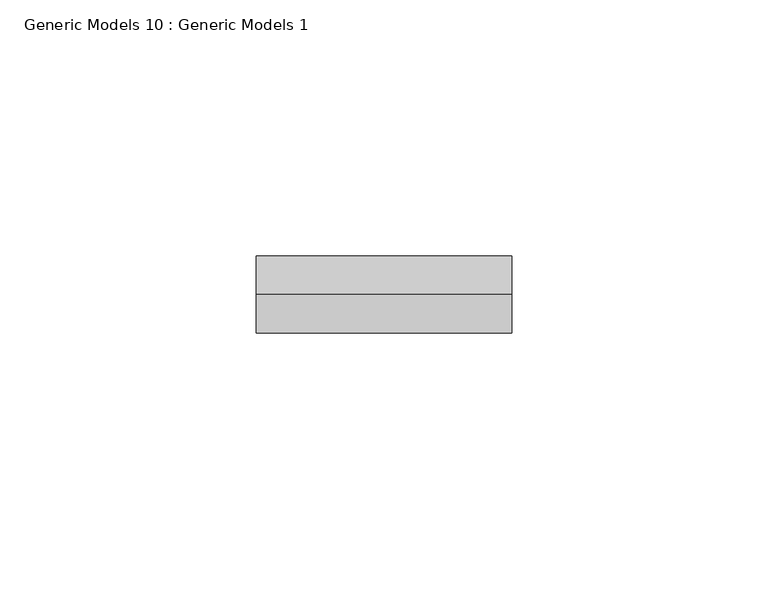
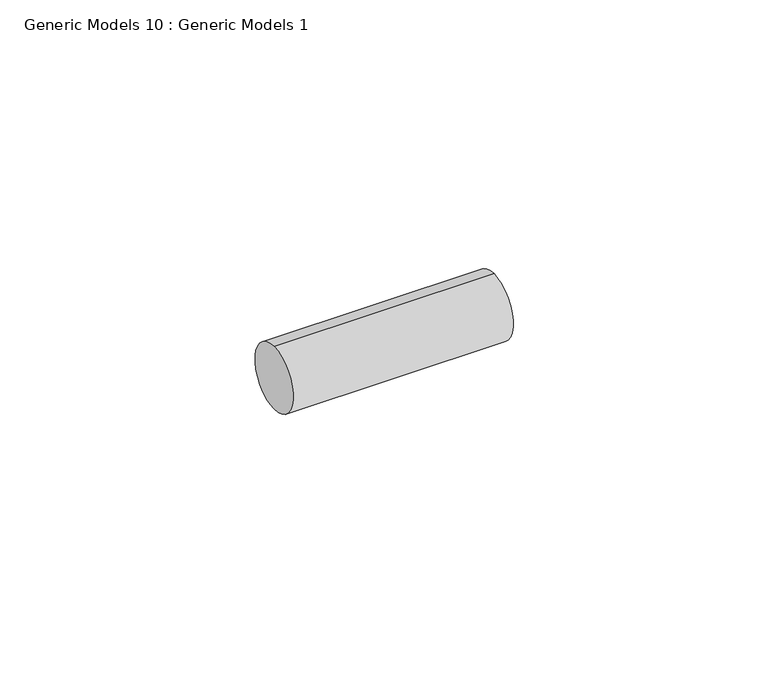
"""IFC4 building model written with IfcOpenShell, lengths in millimetres: proxy geometry, Generic Models 10 : Generic Models 1."""

from ifc_helpers import new_model, si_unit, point, frame, frame_2d, origin, place, context, project, spatial, circle_curve, trimmed, segment, composite_curve, outline, extrude, source, transform, mapped, element, save


def generic_models_10_generic_models_1_8cdbe89e(model_context):
    return source(origin(), model_context, "Body", "SweptSolid", [
        extrude(outline(composite_curve([segment(trimmed(circle_curve(frame_2d((400.3057469, -814.107223)), 7.5), [point((400.3057469, -821.607223))], [point((400.3057469, -806.607223))], False, "CARTESIAN"), True, "CONTINUOUS"), segment(trimmed(circle_curve(frame_2d((400.3057469, -814.107223)), 7.5), [point((400.3057469, -806.607223))], [point((400.3057469, -821.607223))], False, "CARTESIAN"), True, "CONTINUOUS")], self_intersect=False)), frame((4057.6355903, 0.0, 0.0), z_axis=(1.0, 0.0, 0.0), x_axis=(0.0, 1.0, 0.0)), (0.0, 0.0, 1.0), 49.8000142),
    ])


if __name__ == "__main__":
    model = new_model("IFC4")
    model_context = context("Model", 3, world=origin())
    ifc_project = project(units=[si_unit("LENGTHUNIT", "METRE", prefix="MILLI")], contexts=[model_context])
    site = spatial("IfcSite", under=ifc_project)
    building = spatial("IfcBuilding", under=site)
    placement = place(None, origin())
    generic_models_10_generic_models_1_shape = generic_models_10_generic_models_1_8cdbe89e(model_context)
    element("IfcBuildingElementProxy", 1, Name="Generic Models 10 : Generic Models 1", ObjectType="Generic Models 10 : Generic Models 1", at=placement, inside=building, context=model_context, shape_type="MappedRepresentation", body=[
        mapped(generic_models_10_generic_models_1_shape, transform((0.0, 0.0, 0.0), x_axis=(1.0, 0.0, 0.0), y_axis=(0.0, 1.0, 0.0), z_axis=(0.0, 0.0, 1.0))),
    ])
    save(model, "model.ifc")
